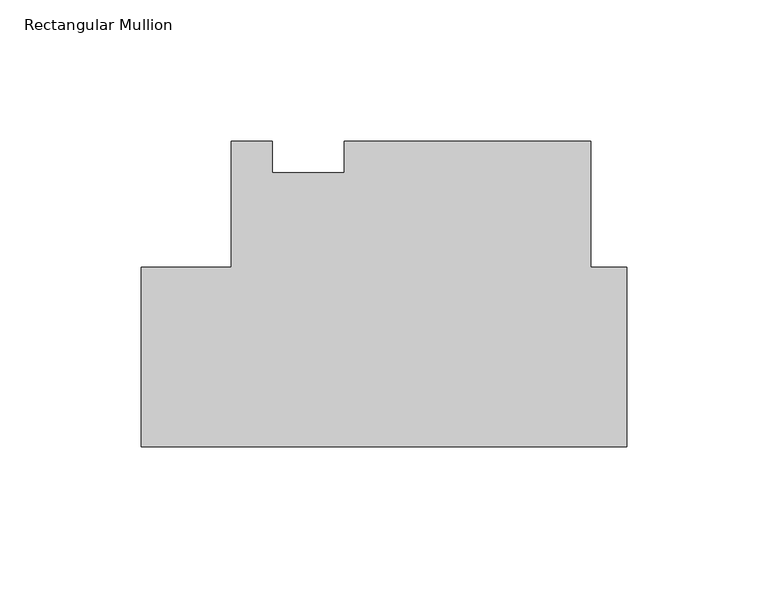
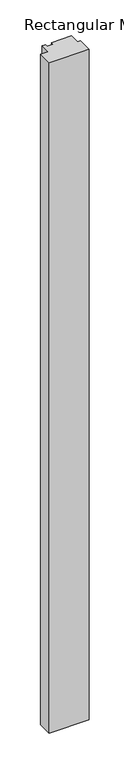
"""IFC4 building model written with IfcOpenShell, lengths in millimetres: member geometry, Rectangular Mullion."""

from ifc_helpers import new_model, si_unit, frame, origin, place, context, project, spatial, polyline, outline, extrude, source, transform, mapped, element, save


def rectangular_mullion_eedfad1d(model_context):
    return source(origin(), model_context, "Body", "SweptSolid", [
        extrude(outline(polyline([(-12.7010309, 63.5254), (0.0, 63.5254), (0.0, 0.0), (-171.4499999, 0.0), (-171.4499999, 63.4999996), (-139.7010309, 63.4999996), (-139.7010309, 107.9499997), (-125.1975059, 107.9499997), (-125.1975059, 96.8374997), (-99.7975059, 96.8374997), (-99.7975059, 107.9499997), (-12.7010309, 107.9499997), (-12.7010309, 63.5254)])), frame((0.0, 0.0, -3048.0), z_axis=(0.0, 0.0, 1.0), x_axis=(1.0, 0.0, 0.0)), (0.0, 0.0, 1.0), 3048.0),
    ])


if __name__ == "__main__":
    model = new_model("IFC4")
    model_context = context("Model", 3, world=origin())
    ifc_project = project(units=[si_unit("LENGTHUNIT", "METRE", prefix="MILLI")], contexts=[model_context])
    site = spatial("IfcSite", under=ifc_project)
    building = spatial("IfcBuilding", under=site)
    placement = place(None, origin())
    rectangular_mullion_shape = rectangular_mullion_eedfad1d(model_context)
    element("IfcMember", 1, ObjectType="Rectangular Mullion", at=placement, inside=building, context=model_context, shape_type="MappedRepresentation", body=[
        mapped(rectangular_mullion_shape, transform((0.0, 0.0, 0.0), x_axis=(1.0, 0.0, 0.0), y_axis=(0.0, 1.0, 0.0), z_axis=(0.0, 0.0, 1.0))),
    ])
    save(model, "model.ifc")
